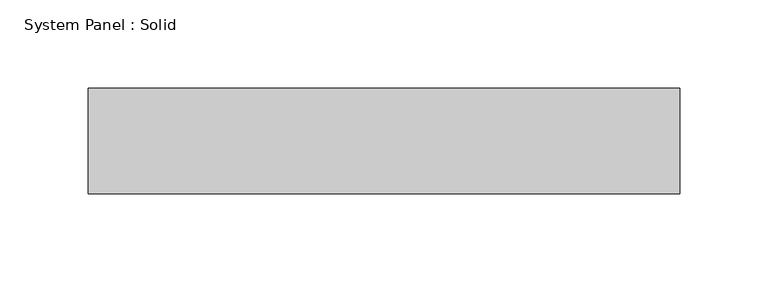
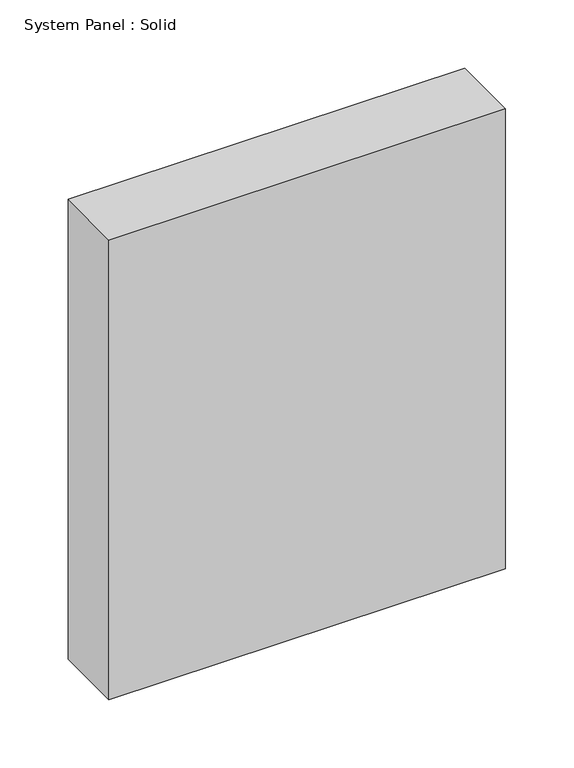
"""IFC4 building model written with IfcOpenShell, lengths in millimetres: plate geometry, System Panel : Solid."""

from ifc_helpers import new_model, si_unit, origin, origin_with_axes, place, context, project, spatial, polyline, outline, extrude, source, transform, mapped, element, save


def system_panel_solid_ab742941(model_context):
    return source(origin(), model_context, "Body", "SweptSolid", [
        extrude(outline(polyline([(168.0, -10.5), (-168.0, -10.5), (-168.0, 49.5), (168.0, 49.5), (168.0, -10.5)])), origin_with_axes(), (0.0, 0.0, 1.0), 412.0186763),
    ])


if __name__ == "__main__":
    model = new_model("IFC4")
    model_context = context("Model", 3, world=origin())
    ifc_project = project(units=[si_unit("LENGTHUNIT", "METRE", prefix="MILLI")], contexts=[model_context])
    site = spatial("IfcSite", under=ifc_project)
    building = spatial("IfcBuilding", under=site)
    placement = place(None, origin())
    system_panel_solid_shape = system_panel_solid_ab742941(model_context)
    element("IfcPlate", 1, ObjectType="System Panel : Solid", at=placement, inside=building, context=model_context, shape_type="MappedRepresentation", body=[
        mapped(system_panel_solid_shape, transform((0.0, 0.0, 0.0), x_axis=(1.0, 0.0, 0.0), y_axis=(0.0, 1.0, 0.0), z_axis=(0.0, 0.0, 1.0))),
    ])
    save(model, "model.ifc")
